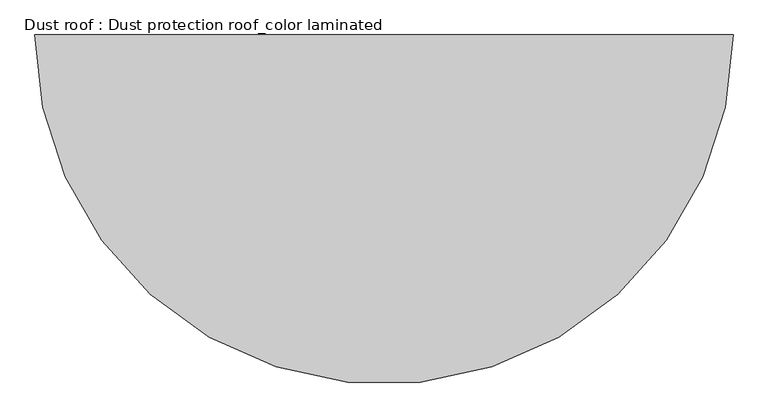
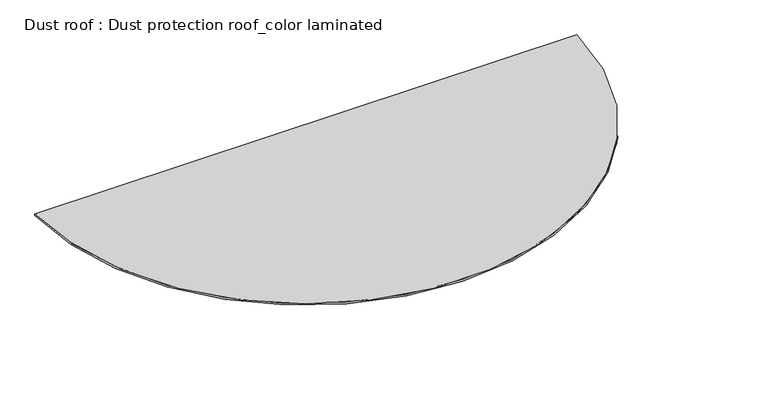
"""IFC4 building model written with IfcOpenShell, lengths in millimetres: proxy geometry, Dust roof : Dust protection roof_color laminated."""

from ifc_helpers import new_model, si_unit, point, origin, origin_with_axes, origin_2d, place, context, project, spatial, polyline, circle_curve, trimmed, segment, composite_curve, outline, extrude, source, transform, mapped, element, save


def dust_roof_dust_protection_roof_color_laminated_160e8f10(model_context):
    return source(origin(), model_context, "Body", "SweptSolid", [
        extrude(outline(composite_curve([segment(trimmed(circle_curve(origin_2d(), 1536.0), [point((1536.0, 0.0))], [point((-1536.0, 0.0))], False, "CARTESIAN"), True, "CONTINUOUS"), segment(polyline([(-1536.0, 0.0), (1536.0, 0.0)]), True, "CONTINUOUS")], self_intersect=False)), origin_with_axes(), (0.0, 0.0, 1.0), 10.0),
    ])


if __name__ == "__main__":
    model = new_model("IFC4")
    model_context = context("Model", 3, world=origin())
    ifc_project = project(units=[si_unit("LENGTHUNIT", "METRE", prefix="MILLI")], contexts=[model_context])
    site = spatial("IfcSite", under=ifc_project)
    building = spatial("IfcBuilding", under=site)
    placement = place(None, origin())
    dust_roof_dust_protection_roof_color_laminated_shape = dust_roof_dust_protection_roof_color_laminated_160e8f10(model_context)
    element("IfcBuildingElementProxy", 1, Name="Dust roof : Dust protection roof_color laminated", ObjectType="Dust roof : Dust protection roof_color laminated", at=placement, inside=building, context=model_context, shape_type="MappedRepresentation", body=[
        mapped(dust_roof_dust_protection_roof_color_laminated_shape, transform((0.0, 0.0, 0.0), x_axis=(1.0, 0.0, 0.0), y_axis=(0.0, 1.0, 0.0), z_axis=(0.0, 0.0, 1.0))),
    ])
    save(model, "model.ifc")
